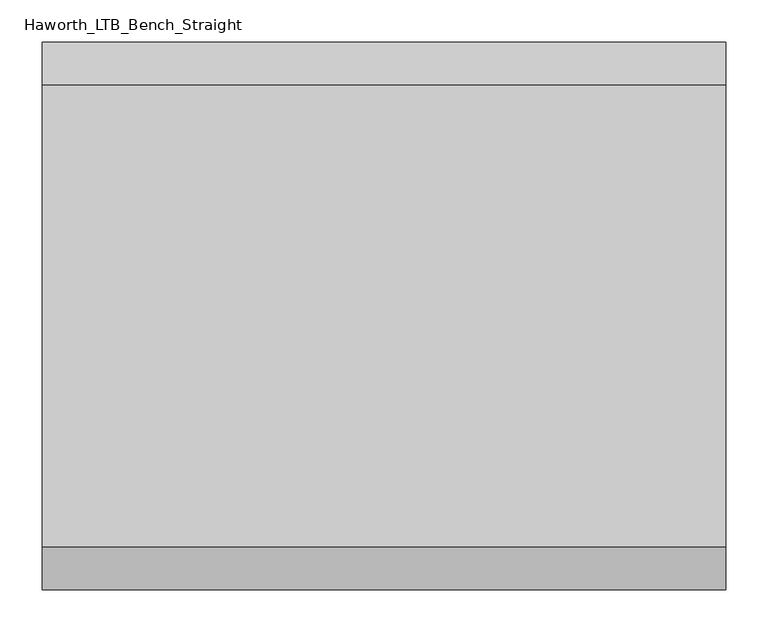
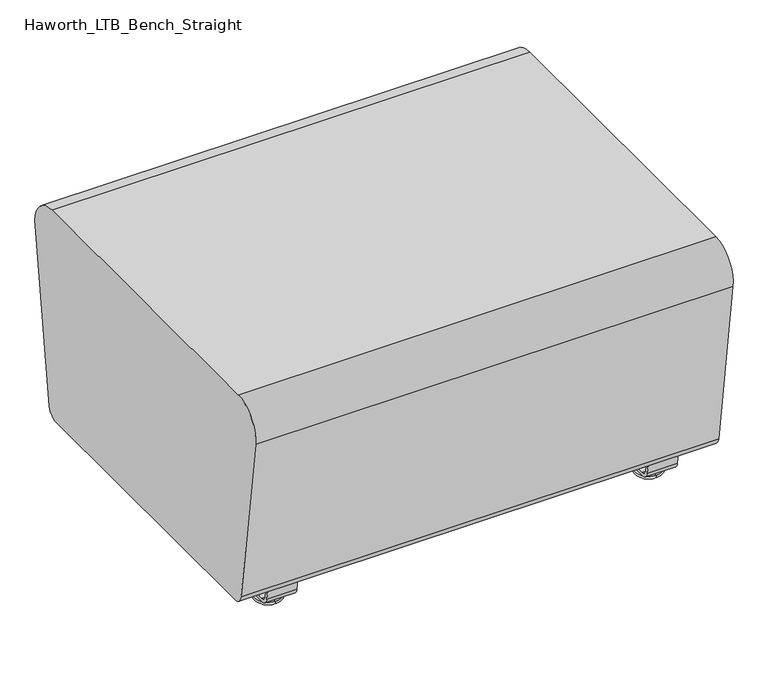
"""IFC4 building model written with IfcOpenShell, lengths in millimetres: furniture geometry, Haworth_LTB_Bench_Straight."""

from ifc_helpers import new_model, si_unit, point, frame, frame_2d, origin, place, context, project, spatial, polyline, circle_curve, ellipse_curve, trimmed, segment, composite_curve, outline, extrude, source, transform, mapped, element, save
from ifc_brep_helpers import plane_surface, cylinder_surface, revolved_surface, advanced_brep


def haworth_ltb_bench_straight_a35a6865(model_context):
    return source(origin(), model_context, "Body", "SolidModel", [
        advanced_brep(
        [(323.9045358, -211.0425052, 7.8133431), (323.9045358, -227.0355515, 7.8133431), (323.9045358, -223.8015284, 7.8133431), (323.9045358, -214.2765284, 7.8133431), (323.9045358, -197.1001513, 4.0775), (323.9045358, -240.9779054, 4.0775), (323.9045358, -197.5107026, 0.0), (323.9045358, -240.5673542, 0.0), (323.9045358, -219.0390284, 0.0), (323.9045358, -214.2765284, 50.0000004), (323.9045358, -223.8015284, 50.0000004), (323.9045358, -219.0390284, 50.0000004)],
        [
            (0, 1, circle_curve(frame((323.9045358, -219.0390284, 7.8133431), z_axis=(0.0, 0.0, 1.0), x_axis=(0.0, -1.0, 0.0)), 7.9965232)),
            (1, 2),
            (2, 3, circle_curve(frame((323.9045358, -219.0390284, 7.8133431), z_axis=(0.0, 0.0, -1.0), x_axis=(0.0, -1.0, 0.0)), 4.7625)),
            (3, 0),
            (1, 0, circle_curve(frame((323.9045358, -219.0390284, 7.8133431), z_axis=(0.0, 0.0, 1.0), x_axis=(0.0, -1.0, 0.0)), 7.9965232)),
            (3, 2, circle_curve(frame((323.9045358, -219.0390284, 7.8133431), z_axis=(0.0, 0.0, -1.0), x_axis=(0.0, -1.0, 0.0)), 4.7625)),
            (4, 5, circle_curve(frame((323.9045358, -219.0390284, 4.0775), z_axis=(0.0, 0.0, 1.0), x_axis=(0.0, -1.0, 0.0)), 21.9388771)),
            (5, 1),
            (0, 4),
            (5, 4, circle_curve(frame((323.9045358, -219.0390284, 4.0775), z_axis=(0.0, 0.0, 1.0), x_axis=(0.0, -1.0, 0.0)), 21.9388771)),
            (6, 7, circle_curve(frame((323.9045358, -219.0390284, 0.0), z_axis=(0.0, 0.0, 1.0), x_axis=(0.0, -1.0, 0.0)), 21.5283258)),
            (7, 5, circle_curve(frame((323.9045358, -240.4405822, 2.0721829), z_axis=(-1.0, 0.0, 0.0), x_axis=(0.0, 1.0, 0.0)), 2.0760571)),
            (4, 6, circle_curve(frame((323.9045358, -197.6374745, 2.0721829), z_axis=(-1.0, 0.0, 0.0), x_axis=(0.0, -1.0, 0.0)), 2.0760571)),
            (7, 6, circle_curve(frame((323.9045358, -219.0390284, 0.0), z_axis=(0.0, 0.0, 1.0), x_axis=(0.0, -1.0, 0.0)), 21.5283258)),
            (8, 7),
            (6, 8),
            (9, 10, circle_curve(frame((323.9045358, -219.0390284, 50.0000004), z_axis=(0.0, 0.0, 1.0), x_axis=(0.0, -1.0, 0.0)), 4.7625)),
            (10, 11),
            (11, 9),
            (10, 9, circle_curve(frame((323.9045358, -219.0390284, 50.0000004), z_axis=(0.0, 0.0, 1.0), x_axis=(0.0, -1.0, 0.0)), 4.7625)),
            (2, 10),
            (9, 3),
        ],
        [
            plane_surface(frame((323.9045358, -219.0390284, 7.8133431), z_axis=(0.0, 0.0, 1.0), x_axis=(0.0, -1.0, 0.0))),
            revolved_surface(polyline([(323.9045358, -227.0355515, 7.8133431), (323.9045358, -240.9779054, 4.0775)]), (323.9045358, -219.0390284, 0.0), (0.0, 0.0, -1.0)),
            revolved_surface(trimmed(ellipse_curve(frame((323.9045358, -240.4405822, 2.0721829), z_axis=(1.0, 0.0, 0.0), x_axis=(0.0, 1.0, 0.0)), 2.0760571, 2.0760571), [point((323.9045358, -240.9779054, 4.0775))], [point((323.9045358, -240.5673542, 0.0))], True, "CARTESIAN"), (323.9045358, -219.0390284, 0.0), (0.0, 0.0, -1.0)),
            plane_surface(frame((323.9045358, -219.0390284, 0.0), z_axis=(0.0, 0.0, -1.0), x_axis=(0.0, -1.0, 0.0))),
            plane_surface(frame((323.9045358, -219.0390284, 50.0000004), z_axis=(0.0, 0.0, 1.0), x_axis=(0.0, -1.0, 0.0))),
            cylinder_surface(frame((323.9045358, -219.0390284, 0.0), z_axis=(0.0, 0.0, -1.0), x_axis=(0.0, -1.0, 0.0)), 4.7625),
        ],
        [
            (0, [[1, 2, 3, 4]]),
            (0, [[5, -4, 6, -2]]),
            (1, [[7, 8, -1, 9]]),
            (1, [[10, -9, -5, -8]]),
            (2, [[11, 12, -7, 13]]),
            (2, [[14, -13, -10, -12]]),
            (3, [[15, -11, 16]]),
            (3, [[-16, -14, -15]]),
            (4, [[17, 18, 19]]),
            (4, [[20, -19, -18]]),
            (5, [[-3, 21, -17, 22]]),
            (5, [[-6, -22, -20, -21]]),
        ],
    ),
        advanced_brep(
        [(323.9045358, 214.2765284, 7.8133431), (323.9045358, 223.8015284, 7.8133431), (323.9045358, 227.0355515, 7.8133431), (323.9045358, 211.0425052, 7.8133431), (323.9045358, 240.9779054, 4.0775), (323.9045358, 197.1001513, 4.0775), (323.9045358, 240.5673542, 0.0), (323.9045358, 197.5107026, 0.0), (323.9045358, 219.0390284, 0.0), (323.9045358, 219.0390284, 50.0000004), (323.9045358, 223.8015284, 50.0000004), (323.9045358, 214.2765284, 50.0000004)],
        [
            (0, 1, circle_curve(frame((323.9045358, 219.0390284, 7.8133431), z_axis=(0.0, 0.0, -1.0), x_axis=(0.0, 1.0, 0.0)), 4.7625)),
            (1, 2),
            (2, 3, circle_curve(frame((323.9045358, 219.0390284, 7.8133431), z_axis=(0.0, 0.0, 1.0), x_axis=(0.0, 1.0, 0.0)), 7.9965232)),
            (3, 0),
            (1, 0, circle_curve(frame((323.9045358, 219.0390284, 7.8133431), z_axis=(0.0, 0.0, -1.0), x_axis=(0.0, 1.0, 0.0)), 4.7625)),
            (3, 2, circle_curve(frame((323.9045358, 219.0390284, 7.8133431), z_axis=(0.0, 0.0, 1.0), x_axis=(0.0, 1.0, 0.0)), 7.9965232)),
            (2, 4),
            (4, 5, circle_curve(frame((323.9045358, 219.0390284, 4.0775), z_axis=(0.0, 0.0, 1.0), x_axis=(0.0, 1.0, 0.0)), 21.9388771)),
            (5, 3),
            (5, 4, circle_curve(frame((323.9045358, 219.0390284, 4.0775), z_axis=(0.0, 0.0, 1.0), x_axis=(0.0, 1.0, 0.0)), 21.9388771)),
            (4, 6, circle_curve(frame((323.9045358, 240.4405822, 2.0721829), z_axis=(-1.0, 0.0, 0.0), x_axis=(0.0, -1.0, 0.0)), 2.0760571)),
            (6, 7, circle_curve(frame((323.9045358, 219.0390284, 0.0), z_axis=(0.0, 0.0, 1.0), x_axis=(0.0, 1.0, 0.0)), 21.5283258)),
            (7, 5, circle_curve(frame((323.9045358, 197.6374745, 2.0721829), z_axis=(-1.0, 0.0, 0.0), x_axis=(0.0, 1.0, 0.0)), 2.0760571)),
            (7, 6, circle_curve(frame((323.9045358, 219.0390284, 0.0), z_axis=(0.0, 0.0, 1.0), x_axis=(0.0, 1.0, 0.0)), 21.5283258)),
            (6, 8),
            (8, 7),
            (9, 10),
            (10, 11, circle_curve(frame((323.9045358, 219.0390284, 50.0000004), z_axis=(0.0, 0.0, 1.0), x_axis=(0.0, 1.0, 0.0)), 4.7625)),
            (11, 9),
            (11, 10, circle_curve(frame((323.9045358, 219.0390284, 50.0000004), z_axis=(0.0, 0.0, 1.0), x_axis=(0.0, 1.0, 0.0)), 4.7625)),
            (10, 1),
            (0, 11),
        ],
        [
            plane_surface(frame((323.9045358, 219.0390284, 7.8133431), z_axis=(0.0, 0.0, 1.0), x_axis=(0.0, 1.0, 0.0))),
            revolved_surface(polyline([(323.9045358, 240.9779054, 4.0775), (323.9045358, 227.0355515, 7.8133431)]), (323.9045358, 219.0390284, 0.0), (0.0, 0.0, 1.0)),
            revolved_surface(trimmed(ellipse_curve(frame((323.9045358, 240.4405822, 2.0721829), z_axis=(1.0, 0.0, 0.0), x_axis=(0.0, -1.0, 0.0)), 2.0760571, 2.0760571), [point((323.9045358, 240.5673542, 0.0))], [point((323.9045358, 240.9779054, 4.0775))], True, "CARTESIAN"), (323.9045358, 219.0390284, 0.0), (0.0, 0.0, 1.0)),
            plane_surface(frame((323.9045358, 219.0390284, 0.0), z_axis=(0.0, 0.0, -1.0), x_axis=(0.0, 1.0, 0.0))),
            plane_surface(frame((323.9045358, 219.0390284, 50.0000004), z_axis=(0.0, 0.0, 1.0), x_axis=(0.0, 1.0, 0.0))),
            cylinder_surface(frame((323.9045358, 219.0390284, 0.0), z_axis=(0.0, 0.0, 1.0), x_axis=(0.0, 1.0, 0.0)), 4.7625),
        ],
        [
            (0, [[1, 2, 3, 4]]),
            (0, [[5, -4, 6, -2]]),
            (1, [[-3, 7, 8, 9]]),
            (1, [[-6, -9, 10, -7]]),
            (2, [[-8, 11, 12, 13]]),
            (2, [[-10, -13, 14, -11]]),
            (3, [[-12, 15, 16]]),
            (3, [[-14, -16, -15]]),
            (4, [[17, 18, 19]]),
            (4, [[-19, 20, -17]]),
            (5, [[-18, 21, -1, 22]]),
            (5, [[-20, -22, -5, -21]]),
        ],
    ),
        extrude(outline(composite_curve([segment(polyline([(264.8158944, 62.9950557), (259.8853496, 27.9124042)]), True, "CONTINUOUS"), segment(trimmed(circle_curve(frame_2d((245.0313276, 30.0000007)), 15.000001), [point((259.8853496, 27.9124042))], [point((245.0313276, 14.9999997))], False, "CARTESIAN"), True, "CONTINUOUS"), segment(polyline([(245.0313276, 14.9999997), (-245.0313276, 14.9999997)]), True, "CONTINUOUS"), segment(trimmed(circle_curve(frame_2d((-245.0313276, 30.0000007)), 15.000001), [point((-245.0313276, 14.9999997))], [point((-259.8853496, 27.9124042))], False, "CARTESIAN"), True, "CONTINUOUS"), segment(polyline([(-259.8853496, 27.9124042), (-264.8158944, 62.9950557), (-259.1812615, 63.7869505), (-254.2507241, 28.7043023)]), True, "CONTINUOUS"), segment(trimmed(circle_curve(frame_2d((-245.0313262, 30.0000023)), 9.310002), [point((-254.2507241, 28.7043023))], [point((-245.0313262, 20.6900003))], True, "CARTESIAN"), True, "CONTINUOUS"), segment(polyline([(-245.0313262, 20.6900003), (245.0313262, 20.6900003)]), True, "CONTINUOUS"), segment(trimmed(circle_curve(frame_2d((245.0313262, 30.0000023)), 9.310002), [point((245.0313262, 20.6900003))], [point((254.2507241, 28.7043023))], True, "CARTESIAN"), True, "CONTINUOUS"), segment(polyline([(254.2507241, 28.7043023), (259.1812615, 63.7869505), (264.8158944, 62.9950557)]), True, "CONTINUOUS")], self_intersect=False)), frame((298.5045358, 0.0, 0.0), z_axis=(1.0, 0.0, 0.0), x_axis=(0.0, 1.0, 0.0)), (0.0, 0.0, 1.0), 50.8),
        advanced_brep(
        [(-323.9045358, -214.2765284, 7.8133431), (-323.9045358, -223.8015284, 7.8133431), (-323.9045358, -227.0355515, 7.8133431), (-323.9045358, -211.0425052, 7.8133431), (-323.9045358, -240.9779054, 4.0775), (-323.9045358, -197.1001513, 4.0775), (-323.9045358, -240.5673542, 0.0), (-323.9045358, -197.5107026, 0.0), (-323.9045358, -219.0390284, 0.0), (-323.9045358, -219.0390284, 50.0000004), (-323.9045358, -223.8015284, 50.0000004), (-323.9045358, -214.2765284, 50.0000004)],
        [
            (0, 1, circle_curve(frame((-323.9045358, -219.0390284, 7.8133431), z_axis=(0.0, 0.0, -1.0), x_axis=(0.0, -1.0, 0.0)), 4.7625)),
            (1, 2),
            (2, 3, circle_curve(frame((-323.9045358, -219.0390284, 7.8133431), z_axis=(0.0, 0.0, 1.0), x_axis=(0.0, -1.0, 0.0)), 7.9965232)),
            (3, 0),
            (1, 0, circle_curve(frame((-323.9045358, -219.0390284, 7.8133431), z_axis=(0.0, 0.0, -1.0), x_axis=(0.0, -1.0, 0.0)), 4.7625)),
            (3, 2, circle_curve(frame((-323.9045358, -219.0390284, 7.8133431), z_axis=(0.0, 0.0, 1.0), x_axis=(0.0, -1.0, 0.0)), 7.9965232)),
            (2, 4),
            (4, 5, circle_curve(frame((-323.9045358, -219.0390284, 4.0775), z_axis=(0.0, 0.0, 1.0), x_axis=(0.0, -1.0, 0.0)), 21.9388771)),
            (5, 3),
            (5, 4, circle_curve(frame((-323.9045358, -219.0390284, 4.0775), z_axis=(0.0, 0.0, 1.0), x_axis=(0.0, -1.0, 0.0)), 21.9388771)),
            (4, 6, circle_curve(frame((-323.9045358, -240.4405822, 2.0721829), z_axis=(1.0, 0.0, 0.0), x_axis=(0.0, 1.0, 0.0)), 2.0760571)),
            (6, 7, circle_curve(frame((-323.9045358, -219.0390284, 0.0), z_axis=(0.0, 0.0, 1.0), x_axis=(0.0, -1.0, 0.0)), 21.5283258)),
            (7, 5, circle_curve(frame((-323.9045358, -197.6374745, 2.0721829), z_axis=(1.0, 0.0, 0.0), x_axis=(0.0, -1.0, 0.0)), 2.0760571)),
            (7, 6, circle_curve(frame((-323.9045358, -219.0390284, 0.0), z_axis=(0.0, 0.0, 1.0), x_axis=(0.0, -1.0, 0.0)), 21.5283258)),
            (6, 8),
            (8, 7),
            (9, 10),
            (10, 11, circle_curve(frame((-323.9045358, -219.0390284, 50.0000004), z_axis=(0.0, 0.0, 1.0), x_axis=(0.0, -1.0, 0.0)), 4.7625)),
            (11, 9),
            (11, 10, circle_curve(frame((-323.9045358, -219.0390284, 50.0000004), z_axis=(0.0, 0.0, 1.0), x_axis=(0.0, -1.0, 0.0)), 4.7625)),
            (10, 1),
            (0, 11),
        ],
        [
            plane_surface(frame((-323.9045358, -219.0390284, 7.8133431), z_axis=(0.0, 0.0, 1.0), x_axis=(0.0, -1.0, 0.0))),
            revolved_surface(polyline([(-323.9045358, -240.9779054, 4.0775), (-323.9045358, -227.0355515, 7.8133431)]), (-323.9045358, -219.0390284, 0.0), (0.0, 0.0, 1.0)),
            revolved_surface(trimmed(ellipse_curve(frame((-323.9045358, -240.4405822, 2.0721829), z_axis=(-1.0, 0.0, 0.0), x_axis=(0.0, 1.0, 0.0)), 2.0760571, 2.0760571), [point((-323.9045358, -240.5673542, 0.0))], [point((-323.9045358, -240.9779054, 4.0775))], True, "CARTESIAN"), (-323.9045358, -219.0390284, 0.0), (0.0, 0.0, 1.0)),
            plane_surface(frame((-323.9045358, -219.0390284, 0.0), z_axis=(0.0, 0.0, -1.0), x_axis=(0.0, -1.0, 0.0))),
            plane_surface(frame((-323.9045358, -219.0390284, 50.0000004), z_axis=(0.0, 0.0, 1.0), x_axis=(0.0, -1.0, 0.0))),
            cylinder_surface(frame((-323.9045358, -219.0390284, 0.0), z_axis=(0.0, 0.0, 1.0), x_axis=(0.0, -1.0, 0.0)), 4.7625),
        ],
        [
            (0, [[1, 2, 3, 4]]),
            (0, [[5, -4, 6, -2]]),
            (1, [[-3, 7, 8, 9]]),
            (1, [[-6, -9, 10, -7]]),
            (2, [[-8, 11, 12, 13]]),
            (2, [[-10, -13, 14, -11]]),
            (3, [[-12, 15, 16]]),
            (3, [[-14, -16, -15]]),
            (4, [[17, 18, 19]]),
            (4, [[-19, 20, -17]]),
            (5, [[-18, 21, -1, 22]]),
            (5, [[-20, -22, -5, -21]]),
        ],
    ),
        advanced_brep(
        [(-323.9045358, 211.0425052, 7.8133431), (-323.9045358, 227.0355515, 7.8133431), (-323.9045358, 223.8015284, 7.8133431), (-323.9045358, 214.2765284, 7.8133431), (-323.9045358, 197.1001513, 4.0775), (-323.9045358, 240.9779054, 4.0775), (-323.9045358, 197.5107026, 0.0), (-323.9045358, 240.5673542, 0.0), (-323.9045358, 219.0390284, 0.0), (-323.9045358, 214.2765284, 50.0000004), (-323.9045358, 223.8015284, 50.0000004), (-323.9045358, 219.0390284, 50.0000004)],
        [
            (0, 1, circle_curve(frame((-323.9045358, 219.0390284, 7.8133431), z_axis=(0.0, 0.0, 1.0), x_axis=(0.0, 1.0, 0.0)), 7.9965232)),
            (1, 2),
            (2, 3, circle_curve(frame((-323.9045358, 219.0390284, 7.8133431), z_axis=(0.0, 0.0, -1.0), x_axis=(0.0, 1.0, 0.0)), 4.7625)),
            (3, 0),
            (1, 0, circle_curve(frame((-323.9045358, 219.0390284, 7.8133431), z_axis=(0.0, 0.0, 1.0), x_axis=(0.0, 1.0, 0.0)), 7.9965232)),
            (3, 2, circle_curve(frame((-323.9045358, 219.0390284, 7.8133431), z_axis=(0.0, 0.0, -1.0), x_axis=(0.0, 1.0, 0.0)), 4.7625)),
            (4, 5, circle_curve(frame((-323.9045358, 219.0390284, 4.0775), z_axis=(0.0, 0.0, 1.0), x_axis=(0.0, 1.0, 0.0)), 21.9388771)),
            (5, 1),
            (0, 4),
            (5, 4, circle_curve(frame((-323.9045358, 219.0390284, 4.0775), z_axis=(0.0, 0.0, 1.0), x_axis=(0.0, 1.0, 0.0)), 21.9388771)),
            (6, 7, circle_curve(frame((-323.9045358, 219.0390284, 0.0), z_axis=(0.0, 0.0, 1.0), x_axis=(0.0, 1.0, 0.0)), 21.5283258)),
            (7, 5, circle_curve(frame((-323.9045358, 240.4405822, 2.0721829), z_axis=(1.0, 0.0, 0.0), x_axis=(0.0, -1.0, 0.0)), 2.0760571)),
            (4, 6, circle_curve(frame((-323.9045358, 197.6374745, 2.0721829), z_axis=(1.0, 0.0, 0.0), x_axis=(0.0, 1.0, 0.0)), 2.0760571)),
            (7, 6, circle_curve(frame((-323.9045358, 219.0390284, 0.0), z_axis=(0.0, 0.0, 1.0), x_axis=(0.0, 1.0, 0.0)), 21.5283258)),
            (8, 7),
            (6, 8),
            (9, 10, circle_curve(frame((-323.9045358, 219.0390284, 50.0000004), z_axis=(0.0, 0.0, 1.0), x_axis=(0.0, 1.0, 0.0)), 4.7625)),
            (10, 11),
            (11, 9),
            (10, 9, circle_curve(frame((-323.9045358, 219.0390284, 50.0000004), z_axis=(0.0, 0.0, 1.0), x_axis=(0.0, 1.0, 0.0)), 4.7625)),
            (2, 10),
            (9, 3),
        ],
        [
            plane_surface(frame((-323.9045358, 219.0390284, 7.8133431), z_axis=(0.0, 0.0, 1.0), x_axis=(0.0, 1.0, 0.0))),
            revolved_surface(polyline([(-323.9045358, 227.0355515, 7.8133431), (-323.9045358, 240.9779054, 4.0775)]), (-323.9045358, 219.0390284, 0.0), (0.0, 0.0, -1.0)),
            revolved_surface(trimmed(ellipse_curve(frame((-323.9045358, 240.4405822, 2.0721829), z_axis=(-1.0, 0.0, 0.0), x_axis=(0.0, -1.0, 0.0)), 2.0760571, 2.0760571), [point((-323.9045358, 240.9779054, 4.0775))], [point((-323.9045358, 240.5673542, 0.0))], True, "CARTESIAN"), (-323.9045358, 219.0390284, 0.0), (0.0, 0.0, -1.0)),
            plane_surface(frame((-323.9045358, 219.0390284, 0.0), z_axis=(0.0, 0.0, -1.0), x_axis=(0.0, 1.0, 0.0))),
            plane_surface(frame((-323.9045358, 219.0390284, 50.0000004), z_axis=(0.0, 0.0, 1.0), x_axis=(0.0, 1.0, 0.0))),
            cylinder_surface(frame((-323.9045358, 219.0390284, 0.0), z_axis=(0.0, 0.0, -1.0), x_axis=(0.0, 1.0, 0.0)), 4.7625),
        ],
        [
            (0, [[1, 2, 3, 4]]),
            (0, [[5, -4, 6, -2]]),
            (1, [[7, 8, -1, 9]]),
            (1, [[10, -9, -5, -8]]),
            (2, [[11, 12, -7, 13]]),
            (2, [[14, -13, -10, -12]]),
            (3, [[15, -11, 16]]),
            (3, [[-16, -14, -15]]),
            (4, [[17, 18, 19]]),
            (4, [[20, -19, -18]]),
            (5, [[-3, 21, -17, 22]]),
            (5, [[-6, -22, -20, -21]]),
        ],
    ),
        extrude(outline(composite_curve([segment(polyline([(264.8158944, 62.9950557), (259.8853496, 27.9124042)]), True, "CONTINUOUS"), segment(trimmed(circle_curve(frame_2d((245.0313276, 30.0000007)), 15.000001), [point((259.8853496, 27.9124042))], [point((245.0313276, 14.9999997))], False, "CARTESIAN"), True, "CONTINUOUS"), segment(polyline([(245.0313276, 14.9999997), (-245.0313276, 14.9999997)]), True, "CONTINUOUS"), segment(trimmed(circle_curve(frame_2d((-245.0313276, 30.0000007)), 15.000001), [point((-245.0313276, 14.9999997))], [point((-259.8853496, 27.9124042))], False, "CARTESIAN"), True, "CONTINUOUS"), segment(polyline([(-259.8853496, 27.9124042), (-264.8158944, 62.9950557), (-259.1812615, 63.7869505), (-254.2507241, 28.7043023)]), True, "CONTINUOUS"), segment(trimmed(circle_curve(frame_2d((-245.0313262, 30.0000023)), 9.310002), [point((-254.2507241, 28.7043023))], [point((-245.0313262, 20.6900003))], True, "CARTESIAN"), True, "CONTINUOUS"), segment(polyline([(-245.0313262, 20.6900003), (245.0313262, 20.6900003)]), True, "CONTINUOUS"), segment(trimmed(circle_curve(frame_2d((245.0313262, 30.0000023)), 9.310002), [point((245.0313262, 20.6900003))], [point((254.2507241, 28.7043023))], True, "CARTESIAN"), True, "CONTINUOUS"), segment(polyline([(254.2507241, 28.7043023), (259.1812615, 63.7869505), (264.8158944, 62.9950557)]), True, "CONTINUOUS")], self_intersect=False)), frame((-349.3045358, 0.0, 0.0), z_axis=(1.0, 0.0, 0.0), x_axis=(0.0, 1.0, 0.0)), (0.0, 0.0, 1.0), 50.8),
        extrude(outline(composite_curve([segment(trimmed(circle_curve(frame_2d((264.0390314, 68.9999996)), 18.9999992), [point((282.8541239, 66.3557108))], [point((264.0390314, 50.0000004))], False, "CARTESIAN"), True, "CONTINUOUS"), segment(polyline([(264.0390314, 50.0000004), (-264.0390314, 50.0000004)]), True, "CONTINUOUS"), segment(trimmed(circle_curve(frame_2d((-264.0390314, 68.9999996)), 18.9999992), [point((-264.0390314, 50.0000004))], [point((-282.8541239, 66.3557108))], False, "CARTESIAN"), True, "CONTINUOUS"), segment(polyline([(-282.8541239, 66.3557108), (-325.0457699, 366.5648734)]), True, "CONTINUOUS"), segment(trimmed(circle_curve(frame_2d((-274.2488862, 373.7039098)), 51.2960938), [point((-325.0457699, 366.5648734))], [point((-274.2488862, 425.0000035))], False, "CARTESIAN"), True, "CONTINUOUS"), segment(polyline([(-274.2488862, 425.0000035), (274.2488862, 425.0000035)]), True, "CONTINUOUS"), segment(trimmed(circle_curve(frame_2d((274.2488862, 373.7039098)), 51.2960937), [point((274.2488862, 425.0000035))], [point((325.0457699, 366.5648734))], False, "CARTESIAN"), True, "CONTINUOUS"), segment(polyline([(325.0457699, 366.5648734), (282.8541239, 66.3557108)]), True, "CONTINUOUS")], self_intersect=False)), frame((-406.4, 0.0, 0.0), z_axis=(1.0, 0.0, 0.0), x_axis=(0.0, 1.0, 0.0)), (0.0, 0.0, 1.0), 812.8),
    ])


if __name__ == "__main__":
    model = new_model("IFC4")
    model_context = context("Model", 3, world=origin())
    ifc_project = project(units=[si_unit("LENGTHUNIT", "METRE", prefix="MILLI")], contexts=[model_context])
    site = spatial("IfcSite", under=ifc_project)
    building = spatial("IfcBuilding", under=site)
    placement = place(None, origin())
    haworth_ltb_bench_straight_shape = haworth_ltb_bench_straight_a35a6865(model_context)
    element("IfcFurniture", 1, ObjectType="Haworth_LTB_Bench_Straight", at=placement, inside=building, context=model_context, shape_type="MappedRepresentation", body=[
        mapped(haworth_ltb_bench_straight_shape, transform((0.0, 0.0, 0.0), x_axis=(1.0, 0.0, 0.0), y_axis=(0.0, 1.0, 0.0), z_axis=(0.0, 0.0, 1.0))),
    ])
    save(model, "model.ifc")
